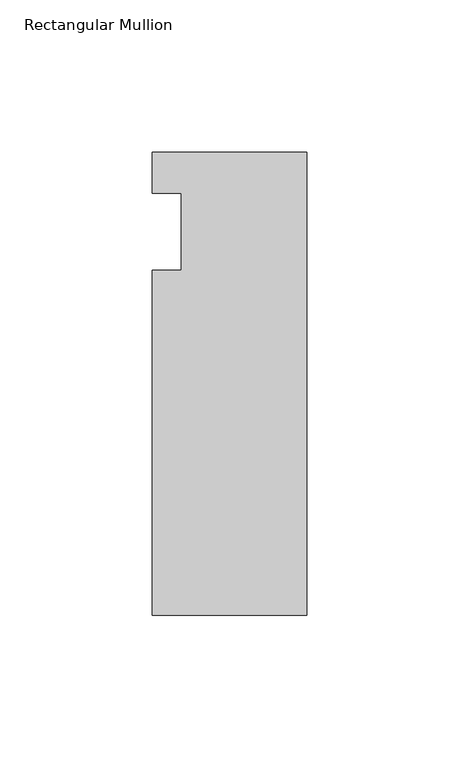
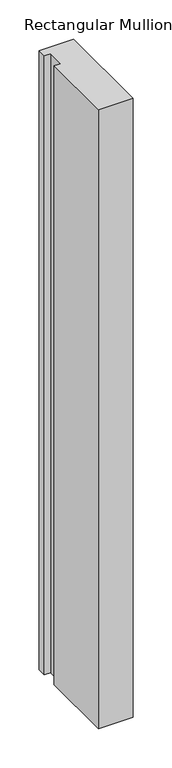
"""IFC4 building model written with IfcOpenShell, lengths in millimetres: member geometry, Rectangular Mullion."""

from ifc_helpers import new_model, si_unit, frame, origin, place, context, project, spatial, polyline, outline, extrude, source, transform, mapped, element, save


def rectangular_mullion_359ebe9e(model_context):
    return source(origin(), model_context, "Body", "SweptSolid", [
        extrude(outline(polyline([(-50.8, 26.19375), (0.0, 26.19375), (0.0, -126.20625), (-50.8, -126.20625), (-50.8, -12.7), (-41.275, -12.7), (-41.275, 12.7), (-50.8, 12.7), (-50.8, 26.19375)])), frame((0.0, 0.0, -965.2), z_axis=(0.0, 0.0, 1.0), x_axis=(1.0, 0.0, 0.0)), (0.0, 0.0, 1.0), 965.2),
    ])


if __name__ == "__main__":
    model = new_model("IFC4")
    model_context = context("Model", 3, world=origin())
    ifc_project = project(units=[si_unit("LENGTHUNIT", "METRE", prefix="MILLI")], contexts=[model_context])
    site = spatial("IfcSite", under=ifc_project)
    building = spatial("IfcBuilding", under=site)
    placement = place(None, origin())
    rectangular_mullion_shape = rectangular_mullion_359ebe9e(model_context)
    element("IfcMember", 1, ObjectType="Rectangular Mullion", at=placement, inside=building, context=model_context, shape_type="MappedRepresentation", body=[
        mapped(rectangular_mullion_shape, transform((0.0, 0.0, 0.0), x_axis=(1.0, 0.0, 0.0), y_axis=(0.0, 1.0, 0.0), z_axis=(0.0, 0.0, 1.0))),
    ])
    save(model, "model.ifc")
